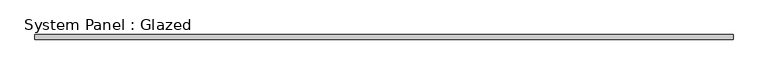
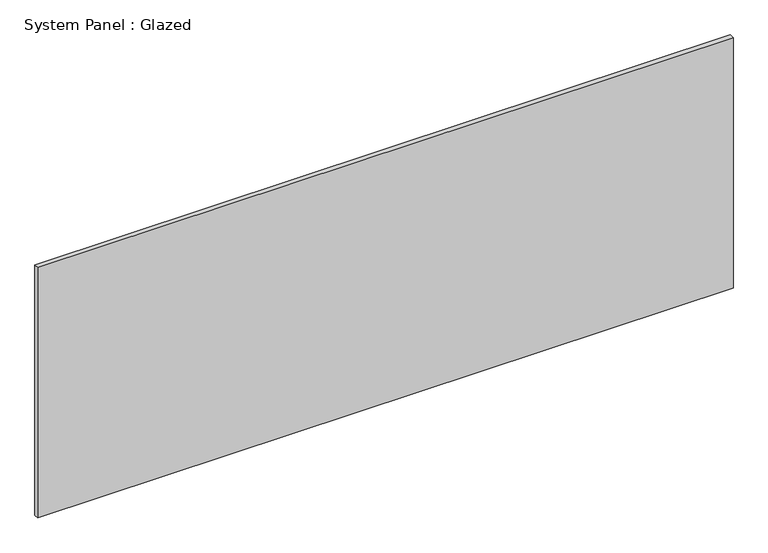
"""IFC4 building model written with IfcOpenShell, lengths in millimetres: plate geometry, System Panel : Glazed."""

from ifc_helpers import new_model, si_unit, origin, origin_with_axes, place, context, project, spatial, polyline, outline, extrude, source, transform, mapped, element, save


def system_panel_glazed_03b3400f(model_context):
    return source(origin(), model_context, "Body", "SweptSolid", [
        extrude(outline(polyline([(1916.956462, 19.05), (-1916.956462, 19.05), (-1916.956462, 44.45), (1916.956462, 44.45), (1916.956462, 19.05)])), origin_with_axes(), (0.0, 0.0, 1.0), 1460.5),
    ])


if __name__ == "__main__":
    model = new_model("IFC4")
    model_context = context("Model", 3, world=origin())
    ifc_project = project(units=[si_unit("LENGTHUNIT", "METRE", prefix="MILLI")], contexts=[model_context])
    site = spatial("IfcSite", under=ifc_project)
    building = spatial("IfcBuilding", under=site)
    placement = place(None, origin())
    system_panel_glazed_shape = system_panel_glazed_03b3400f(model_context)
    element("IfcPlate", 1, ObjectType="System Panel : Glazed", at=placement, inside=building, context=model_context, shape_type="MappedRepresentation", body=[
        mapped(system_panel_glazed_shape, transform((0.0, 0.0, 0.0), x_axis=(1.0, 0.0, 0.0), y_axis=(0.0, 1.0, 0.0), z_axis=(0.0, 0.0, 1.0))),
    ])
    save(model, "model.ifc")
